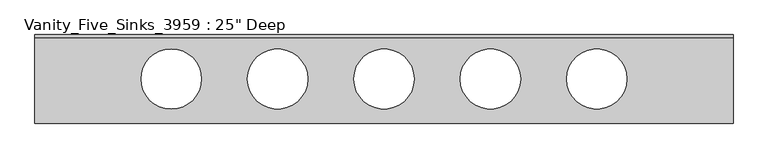
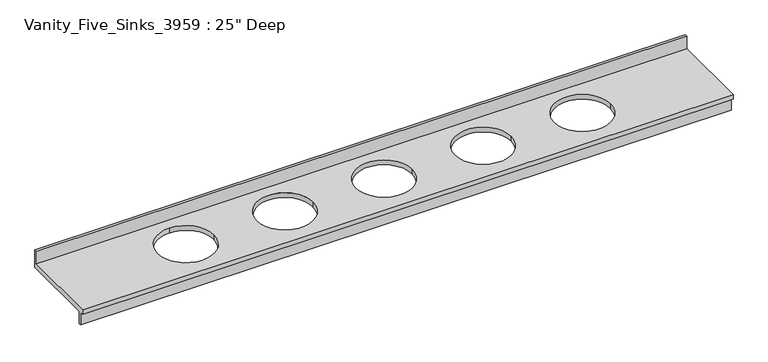
"""IFC4 building model written with IfcOpenShell, lengths in millimetres: furniture geometry."""

from ifc_helpers import new_model, si_unit, frame, origin, place, context, project, spatial, polyline, circle_curve, source, transform, mapped, element, save
from ifc_brep_helpers import plane_surface, revolved_surface, advanced_brep


def furniture_02c79233(model_context):
    return source(origin(), model_context, "Body", "AdvancedBrep", [
        advanced_brep(
        [(-1327.4622951, -635.0, 863.6), (3672.9377049, -635.0, 863.6), (3672.9377049, -19.05, 863.6), (-1327.4622951, -19.05, 863.6), (626.6377049, -317.5, 863.6), (194.8377049, -317.5, 863.6), (-351.2622951, -533.4, 863.6), (-567.1622951, -317.5, 863.6), (-351.2622951, -101.6, 863.6), (-135.3622951, -317.5, 863.6), (1388.6377049, -317.5, 863.6), (956.8377049, -317.5, 863.6), (2150.6377049, -317.5, 863.6), (1718.8377049, -317.5, 863.6), (2912.6377049, -317.5, 863.6), (2480.8377049, -317.5, 863.6), (3672.9377049, -635.0, 825.5), (-1327.4622951, -635.0, 825.5), (-1327.4622951, -609.6, 825.5), (3672.9377049, -609.6, 825.5), (-1327.4622951, 0.0, 825.5), (3672.9377049, 0.0, 825.5), (3672.9377049, -590.55, 825.5), (-1327.4622951, -590.55, 825.5), (194.8377049, -317.5, 825.5), (626.6377049, -317.5, 825.5), (-567.1622951, -317.5, 825.5), (-351.2622951, -533.4, 825.5), (-135.3622951, -317.5, 825.5), (-351.2622951, -101.6, 825.5), (956.8377049, -317.5, 825.5), (1388.6377049, -317.5, 825.5), (1718.8377049, -317.5, 825.5), (2150.6377049, -317.5, 825.5), (2480.8377049, -317.5, 825.5), (2912.6377049, -317.5, 825.5), (-1327.4622951, 0.0, 965.2), (3672.9377049, 0.0, 965.2), (-1327.4622951, -19.05, 965.2), (-1327.4622951, -590.55, 723.9), (-1327.4622951, -609.6, 723.9), (3672.9377049, -609.6, 723.9), (3672.9377049, -590.55, 723.9), (3672.9377049, -19.05, 965.2)],
        [
            (0, 1),
            (1, 2),
            (2, 3),
            (3, 0),
            (4, 5, circle_curve(frame((410.7377049, -317.5, 863.6), z_axis=(0.0, 0.0, -1.0), x_axis=(1.0, 0.0, 0.0)), 215.9)),
            (5, 4, circle_curve(frame((410.7377049, -317.5, 863.6), z_axis=(0.0, 0.0, -1.0), x_axis=(1.0, 0.0, 0.0)), 215.9)),
            (6, 7, circle_curve(frame((-351.2622951, -317.5, 863.6), z_axis=(0.0, 0.0, -1.0), x_axis=(1.0, 0.0, 0.0)), 215.9)),
            (7, 8, circle_curve(frame((-351.2622951, -317.5, 863.6), z_axis=(0.0, 0.0, -1.0), x_axis=(1.0, 0.0, 0.0)), 215.9)),
            (8, 9, circle_curve(frame((-351.2622951, -317.5, 863.6), z_axis=(0.0, 0.0, -1.0), x_axis=(1.0, 0.0, 0.0)), 215.9)),
            (9, 6, circle_curve(frame((-351.2622951, -317.5, 863.6), z_axis=(0.0, 0.0, -1.0), x_axis=(1.0, 0.0, 0.0)), 215.9)),
            (10, 11, circle_curve(frame((1172.7377049, -317.5, 863.6), z_axis=(0.0, 0.0, -1.0), x_axis=(1.0, 0.0, 0.0)), 215.9)),
            (11, 10, circle_curve(frame((1172.7377049, -317.5, 863.6), z_axis=(0.0, 0.0, -1.0), x_axis=(1.0, 0.0, 0.0)), 215.9)),
            (12, 13, circle_curve(frame((1934.7377049, -317.5, 863.6), z_axis=(0.0, 0.0, -1.0), x_axis=(1.0, 0.0, 0.0)), 215.9)),
            (13, 12, circle_curve(frame((1934.7377049, -317.5, 863.6), z_axis=(0.0, 0.0, -1.0), x_axis=(1.0, 0.0, 0.0)), 215.9)),
            (14, 15, circle_curve(frame((2696.7377049, -317.5, 863.6), z_axis=(0.0, 0.0, -1.0), x_axis=(1.0, 0.0, 0.0)), 215.9)),
            (15, 14, circle_curve(frame((2696.7377049, -317.5, 863.6), z_axis=(0.0, 0.0, -1.0), x_axis=(1.0, 0.0, 0.0)), 215.9)),
            (16, 17),
            (17, 18),
            (18, 19),
            (19, 16),
            (20, 21),
            (21, 22),
            (22, 23),
            (23, 20),
            (24, 25, circle_curve(frame((410.7377049, -317.5, 825.5), z_axis=(0.0, 0.0, 1.0), x_axis=(1.0, 0.0, 0.0)), 215.9)),
            (25, 24, circle_curve(frame((410.7377049, -317.5, 825.5), z_axis=(0.0, 0.0, 1.0), x_axis=(1.0, 0.0, 0.0)), 215.9)),
            (26, 27, circle_curve(frame((-351.2622951, -317.5, 825.5), z_axis=(0.0, 0.0, 1.0), x_axis=(1.0, 0.0, 0.0)), 215.9)),
            (27, 28, circle_curve(frame((-351.2622951, -317.5, 825.5), z_axis=(0.0, 0.0, 1.0), x_axis=(1.0, 0.0, 0.0)), 215.9)),
            (28, 29, circle_curve(frame((-351.2622951, -317.5, 825.5), z_axis=(0.0, 0.0, 1.0), x_axis=(1.0, 0.0, 0.0)), 215.9)),
            (29, 26, circle_curve(frame((-351.2622951, -317.5, 825.5), z_axis=(0.0, 0.0, 1.0), x_axis=(1.0, 0.0, 0.0)), 215.9)),
            (30, 31, circle_curve(frame((1172.7377049, -317.5, 825.5), z_axis=(0.0, 0.0, 1.0), x_axis=(1.0, 0.0, 0.0)), 215.9)),
            (31, 30, circle_curve(frame((1172.7377049, -317.5, 825.5), z_axis=(0.0, 0.0, 1.0), x_axis=(1.0, 0.0, 0.0)), 215.9)),
            (32, 33, circle_curve(frame((1934.7377049, -317.5, 825.5), z_axis=(0.0, 0.0, 1.0), x_axis=(1.0, 0.0, 0.0)), 215.9)),
            (33, 32, circle_curve(frame((1934.7377049, -317.5, 825.5), z_axis=(0.0, 0.0, 1.0), x_axis=(1.0, 0.0, 0.0)), 215.9)),
            (34, 35, circle_curve(frame((2696.7377049, -317.5, 825.5), z_axis=(0.0, 0.0, 1.0), x_axis=(1.0, 0.0, 0.0)), 215.9)),
            (35, 34, circle_curve(frame((2696.7377049, -317.5, 825.5), z_axis=(0.0, 0.0, 1.0), x_axis=(1.0, 0.0, 0.0)), 215.9)),
            (20, 36),
            (36, 37),
            (37, 21),
            (17, 0),
            (3, 38),
            (38, 36),
            (23, 39),
            (39, 40),
            (40, 18),
            (16, 1),
            (19, 41),
            (41, 42),
            (42, 22),
            (37, 43),
            (43, 2),
            (4, 25),
            (24, 5),
            (38, 43),
            (6, 27),
            (26, 7),
            (9, 28),
            (8, 29),
            (41, 40),
            (39, 42),
            (10, 31),
            (30, 11),
            (12, 33),
            (32, 13),
            (14, 35),
            (34, 15),
        ],
        [
            plane_surface(frame((-1327.4622951, 0.0, 863.6), z_axis=(0.0, 0.0, 1.0), x_axis=(-1.0, 0.0, 0.0))),
            plane_surface(frame((-1327.4622951, 0.0, 825.5), z_axis=(0.0, 0.0, -1.0), x_axis=(1.0, 0.0, 0.0))),
            plane_surface(frame((3672.9377049, 0.0, 863.6), z_axis=(0.0, 1.0, 0.0), x_axis=(0.0, 0.0, -1.0))),
            plane_surface(frame((-1327.4622951, 0.0, 863.6), z_axis=(-1.0, 0.0, 0.0), x_axis=(0.0, 0.0, -1.0))),
            plane_surface(frame((-1327.4622951, -635.0, 863.6), z_axis=(0.0, -1.0, 0.0), x_axis=(0.0, 0.0, -1.0))),
            plane_surface(frame((3672.9377049, -635.0, 863.6), z_axis=(1.0, 0.0, 0.0), x_axis=(0.0, 0.0, -1.0))),
            revolved_surface(polyline([(626.6377049, -317.5, 863.6), (626.6377049, -317.5, 825.5)]), (410.7377049, -317.5, 825.5), (0.0, 0.0, 1.0)),
            plane_surface(frame((-1327.4622951, 0.0, 965.2), z_axis=(0.0, 0.0, 1.0), x_axis=(0.0, -1.0, 0.0))),
            plane_surface(frame((-1327.4622951, -19.05, 965.2), z_axis=(0.0, -1.0, 0.0), x_axis=(0.0, 0.0, -1.0))),
            revolved_surface(polyline([(-135.3622951, -317.5, 863.6), (-135.3622951, -317.5, 825.5)]), (-351.2622951, -317.5, 825.5), (0.0, 0.0, 1.0)),
            plane_surface(frame((-1327.4622951, -590.55, 723.9), z_axis=(0.0, 0.0, -1.0), x_axis=(1.0, 0.0, 0.0))),
            plane_surface(frame((3672.9377049, -590.55, 825.5), z_axis=(0.0, 1.0, 0.0), x_axis=(0.0, 0.0, -1.0))),
            plane_surface(frame((-1327.4622951, -609.6, 825.5), z_axis=(0.0, -1.0, 0.0), x_axis=(0.0, 0.0, -1.0))),
            revolved_surface(polyline([(1388.6377049, -317.5, 863.6), (1388.6377049, -317.5, 825.5)]), (1172.7377049, -317.5, 825.5), (0.0, 0.0, 1.0)),
            revolved_surface(polyline([(2150.6377049, -317.5, 863.6), (2150.6377049, -317.5, 825.5)]), (1934.7377049, -317.5, 825.5), (0.0, 0.0, 1.0)),
            revolved_surface(polyline([(2912.6377049000002, -317.5, 863.6), (2912.6377049000002, -317.5, 825.5)]), (2696.7377049, -317.5, 825.5), (0.0, 0.0, 1.0)),
        ],
        [
            (0, [[1, 2, 3, 4], [5, 6], [7, 8, 9, 10], [11, 12], [13, 14], [15, 16]]),
            (1, [[17, 18, 19, 20]]),
            (1, [[21, 22, 23, 24], [25, 26], [27, 28, 29, 30], [31, 32], [33, 34], [35, 36]]),
            (2, [[-21, 37, 38, 39]]),
            (3, [[40, -4, 41, 42, -37, -24, 43, 44, 45, -18]]),
            (4, [[-1, -40, -17, 46]]),
            (5, [[-46, -20, 47, 48, 49, -22, -39, 50, 51, -2]]),
            (6, [[52, -25, 53, -5]]),
            (6, [[-52, -6, -53, -26]]),
            (7, [[-42, 54, -50, -38]]),
            (8, [[-54, -41, -3, -51]]),
            (9, [[55, -27, 56, -7]]),
            (9, [[-55, -10, 57, -28]]),
            (9, [[-57, -9, 58, -29]]),
            (9, [[-56, -30, -58, -8]]),
            (10, [[-48, 59, -44, 60]]),
            (11, [[-60, -43, -23, -49]]),
            (12, [[-59, -47, -19, -45]]),
            (13, [[61, -31, 62, -11]]),
            (13, [[-61, -12, -62, -32]]),
            (14, [[63, -33, 64, -13]]),
            (14, [[-63, -14, -64, -34]]),
            (15, [[65, -35, 66, -15]]),
            (15, [[-65, -16, -66, -36]]),
        ],
    ),
    ])


if __name__ == "__main__":
    model = new_model("IFC4")
    model_context = context("Model", 3, world=origin())
    ifc_project = project(units=[si_unit("LENGTHUNIT", "METRE", prefix="MILLI")], contexts=[model_context])
    site = spatial("IfcSite", under=ifc_project)
    building = spatial("IfcBuilding", under=site)
    placement = place(None, origin())
    furniture_shape = furniture_02c79233(model_context)
    element("IfcFurniture", 1, ObjectType="Vanity_Five_Sinks_3959 : 25\" Deep", at=placement, inside=building, context=model_context, shape_type="MappedRepresentation", body=[
        mapped(furniture_shape, transform((0.0, 0.0, 0.0), x_axis=(1.0, 0.0, 0.0), y_axis=(0.0, 1.0, 0.0), z_axis=(0.0, 0.0, 1.0))),
    ])
    save(model, "model.ifc")
